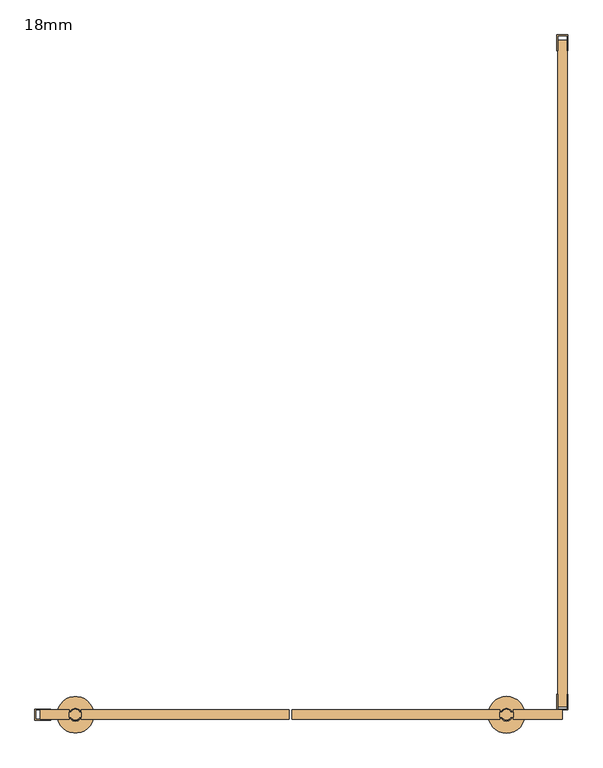
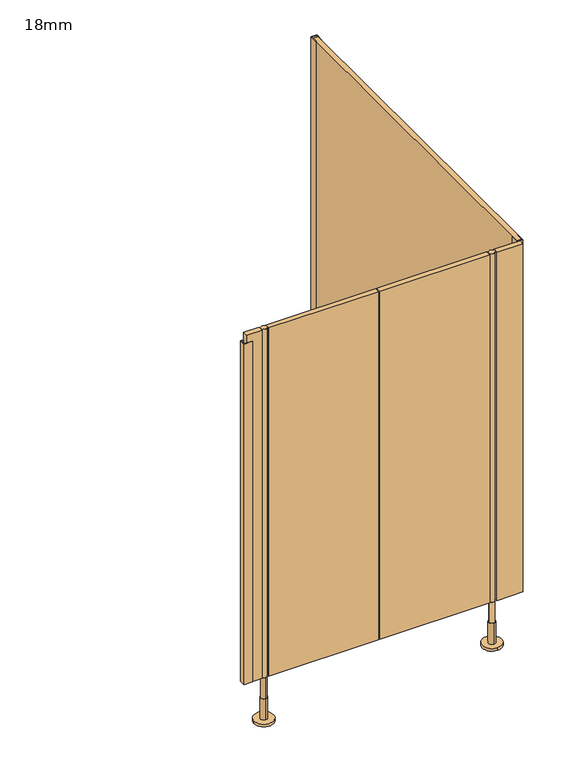
"""IFC4 building model written with IfcOpenShell, lengths in millimetres: door geometry, 18mm."""

import ifcopenshell
import ifcopenshell.guid

model = None  # the IFC model being written
_history = None  # IfcOwnerHistory: only IFC2X3 demands one
_inside = {}  # id of a spatial element -> (the spatial element, [elements in it])
_under = {}  # id of a project, library or spatial element -> (it, [spatial elements below it])
_declared = {}  # id of a project -> (the project, [libraries it declares])
_typed = {}  # id of a type object -> (the type object, [elements of that type])
_made_of = {}  # id of a material, layer set ... -> (it, [elements and type objects made of it])


def new_model(schema):
    """Start an empty IFC model of exactly this schema.

    Asked for "IFC4X3", IfcOpenShell would pick the latest addendum, in which some entities
    have other attributes; the version numbers below select the first issue.
    IFC2X3 requires an IfcOwnerHistory on every rooted entity: one is made here for all.
    """
    global model, _history
    if schema == "IFC4X3":
        model = ifcopenshell.file(schema_version=(4, 3, 0, 0))
    else:
        model = ifcopenshell.file(schema=schema)
    _inside.clear()
    _under.clear()
    _declared.clear()
    _typed.clear()
    _made_of.clear()
    _history = None
    if model.schema == "IFC2X3":
        org = make("IfcOrganization", Name="unknown")
        user = make(
            "IfcPersonAndOrganization",
            ThePerson=make("IfcPerson", FamilyName="unknown"),
            TheOrganization=org,
        )
        app = make(
            "IfcApplication",
            ApplicationDeveloper=org,
            Version="unknown",
            ApplicationFullName="unknown",
            ApplicationIdentifier="unknown",
        )
        _history = make(
            "IfcOwnerHistory",
            OwningUser=user,
            OwningApplication=app,
            ChangeAction="ADDED",
            CreationDate=0,
        )
    return model


def make(cls, **values):
    """One entity of the class cls with the attributes given. An attribute that is None is left unset."""
    return model.create_entity(
        cls, **{name: value for name, value in values.items() if value is not None}
    )


def rooted(cls, **values):
    """An entity with a GlobalId (a new one), such as an element, a storey or a relation."""
    return make(cls, GlobalId=ifcopenshell.guid.new(), OwnerHistory=_history, **values)


def si_unit(unit_type, name, prefix=None):
    """IfcSIUnit, for example si_unit("LENGTHUNIT", "METRE", prefix="MILLI")."""
    return make("IfcSIUnit", UnitType=unit_type, Prefix=prefix, Name=name)


def assignment(units):
    """IfcUnitAssignment: the units of a project."""
    return None if units is None else make("IfcUnitAssignment", Units=units)


def point(xyz):
    """IfcCartesianPoint."""
    return None if xyz is None else make("IfcCartesianPoint", Coordinates=xyz)


def direction(xyz):
    """IfcDirection."""
    return None if xyz is None else make("IfcDirection", DirectionRatios=xyz)


def frame(location, z_axis=None, x_axis=None):
    """IfcAxis2Placement3D, a coordinate frame: its origin and axes. An axis left out is left unset."""
    return make(
        "IfcAxis2Placement3D",
        Location=point(location),
        Axis=direction(z_axis),
        RefDirection=direction(x_axis),
    )


def frame_2d(location, x_axis=None):
    """IfcAxis2Placement2D, a coordinate frame in the plane: its origin and x axis."""
    return make(
        "IfcAxis2Placement2D", Location=point(location), RefDirection=direction(x_axis)
    )


def origin():
    """The frame at (0, 0, 0) with its axes left unset."""
    return frame((0.0, 0.0, 0.0))


def place(relative_to, where):
    """IfcLocalPlacement: puts the frame where relative to a parent placement (None: the world)."""
    return make(
        "IfcLocalPlacement", PlacementRelTo=relative_to, RelativePlacement=where
    )


def context(
    kind, dimensions, precision=None, world=None, true_north=None, identifier=None
):
    """IfcGeometricRepresentationContext, for example the 3D "Model" context."""
    return make(
        "IfcGeometricRepresentationContext",
        ContextIdentifier=identifier,
        ContextType=kind,
        CoordinateSpaceDimension=dimensions,
        Precision=precision,
        WorldCoordinateSystem=world,
        TrueNorth=true_north,
    )


def project(units=None, contexts=None):
    """IfcProject with its units and contexts."""
    return rooted(
        "IfcProject",
        Name="project",
        RepresentationContexts=contexts,
        UnitsInContext=assignment(units),
    )


def spatial(cls, under=None, at=None, **own):
    """A site, building, storey or space (cls), placed at a placement, below another one or the project."""
    s = rooted(cls, ObjectPlacement=at, **own)
    if under is not None:
        _under.setdefault(under.id(), (under, []))[1].append(s)
    return s


def polyline(points):
    """IfcPolyline through the points."""
    return make("IfcPolyline", Points=[point(p) for p in points])


def circle_curve(where, radius):
    """IfcCircle in the frame where."""
    return make("IfcCircle", Position=where, Radius=radius)


def trimmed(basis, trim1, trim2, sense, master):
    """IfcTrimmedCurve: the piece of a basis curve between two trims."""
    return make(
        "IfcTrimmedCurve",
        BasisCurve=basis,
        Trim1=trim1,
        Trim2=trim2,
        SenseAgreement=sense,
        MasterRepresentation=master,
    )


def segment(curve, same_sense, transition):
    """IfcCompositeCurveSegment."""
    return make(
        "IfcCompositeCurveSegment",
        Transition=transition,
        SameSense=same_sense,
        ParentCurve=curve,
    )


def composite_curve(segments, self_intersect=None):
    """IfcCompositeCurve: segments joined end to end."""
    return make("IfcCompositeCurve", Segments=segments, SelfIntersect=self_intersect)


def outline(outer, holes=None, kind="AREA"):
    """IfcArbitraryClosedProfileDef: a profile drawn as a closed curve; with holes, ...WithVoids."""
    if holes is None:
        return make("IfcArbitraryClosedProfileDef", ProfileType=kind, OuterCurve=outer)
    return make(
        "IfcArbitraryProfileDefWithVoids",
        ProfileType=kind,
        OuterCurve=outer,
        InnerCurves=holes,
    )


def extrude(swept, where, along, depth):
    """IfcExtrudedAreaSolid: the profile swept, set in the frame where, extruded along a direction by depth."""
    return make(
        "IfcExtrudedAreaSolid",
        SweptArea=swept,
        Position=where,
        ExtrudedDirection=direction(along),
        Depth=depth,
    )


def shape(context_of_items, identifier, shape_type, items):
    """IfcShapeRepresentation: the items that make up one representation, for example the "Body"."""
    return make(
        "IfcShapeRepresentation",
        ContextOfItems=context_of_items,
        RepresentationIdentifier=identifier,
        RepresentationType=shape_type,
        Items=items,
    )


def source(mapping_origin, context_of_items, identifier, shape_type, items):
    """IfcRepresentationMap: a shape defined once, which mapped items show again and again."""
    return make(
        "IfcRepresentationMap",
        MappingOrigin=mapping_origin,
        MappedRepresentation=shape(context_of_items, identifier, shape_type, items),
    )


def transform(
    local_origin,
    x_axis=None,
    y_axis=None,
    z_axis=None,
    scale=None,
    scale2=None,
    scale3=None,
    uniform=True,
):
    """IfcCartesianTransformationOperator3D, or its non-uniform kind. x_axis, y_axis, z_axis: its Axis1, 2, 3."""
    if uniform:
        return make(
            "IfcCartesianTransformationOperator3D",
            Axis1=direction(x_axis),
            Axis2=direction(y_axis),
            LocalOrigin=point(local_origin),
            Scale=scale,
            Axis3=direction(z_axis),
        )
    return make(
        "IfcCartesianTransformationOperator3DnonUniform",
        Axis1=direction(x_axis),
        Axis2=direction(y_axis),
        LocalOrigin=point(local_origin),
        Scale=scale,
        Axis3=direction(z_axis),
        Scale2=scale2,
        Scale3=scale3,
    )


def mapped(mapping_source, mapping_target):
    """IfcMappedItem: shows the shape of a source again, moved by a transform."""
    return make(
        "IfcMappedItem", MappingSource=mapping_source, MappingTarget=mapping_target
    )


def made_of(thing, what):
    """Note that an element or type object is made of a material, layer set ...; save() writes the relation."""
    if what is not None:
        _made_of.setdefault(what.id(), (what, []))[1].append(thing)
    return thing


def element(
    cls,
    number,
    at=None,
    inside=None,
    cuts=None,
    type_object=None,
    material=None,
    context=None,
    identifier="Body",
    shape_type=None,
    held_by="IfcProductDefinitionShape",
    body=None,
    shapes=None,
    **own,
):
    """One element of the class cls, such as IfcWall. Its Tag is "e" and its number.

    at: its placement. inside: the storey or other place that contains it. cuts: it is an
    opening in that element (IfcRelVoidsElement). A single representation is given by context,
    identifier, shape_type and body (its items); several are given by shapes. held_by: the class
    of the entity that holds the representations. save() writes the other relations.
    """
    e = rooted(cls, Tag="e%d" % number, ObjectPlacement=at, **own)
    if body is not None:
        shapes = [shape(context, identifier, shape_type, body)]
    if shapes is not None:
        e.Representation = make(held_by, Representations=shapes)
    if inside is not None:
        _inside.setdefault(inside.id(), (inside, []))[1].append(e)
    if cuts is not None:
        rooted(
            "IfcRelVoidsElement", RelatingBuildingElement=cuts, RelatedOpeningElement=e
        )
    if type_object is not None:
        _typed.setdefault(type_object.id(), (type_object, []))[1].append(e)
    return made_of(e, material)


def aggregate(whole, parts):
    """IfcRelAggregates: a whole, such as a stair, and the parts it consists of."""
    return rooted("IfcRelAggregates", RelatingObject=whole, RelatedObjects=parts)


def save(model, path):
    """Write the relations noted so far, then the file.

    IfcRelAggregates (storeys below a building ...), IfcRelContainedInSpatialStructure (elements
    in a storey), IfcRelDefinesByType, IfcRelAssociatesMaterial and IfcRelDeclares: one each for
    every whole, place, type object, material and project.
    """
    for whole, parts in _under.values():
        aggregate(whole, parts)
    for where, things in _inside.values():
        rooted(
            "IfcRelContainedInSpatialStructure",
            RelatedElements=things,
            RelatingStructure=where,
        )
    for kind, things in _typed.values():
        rooted("IfcRelDefinesByType", RelatedObjects=things, RelatingType=kind)
    for what, things in _made_of.values():
        rooted("IfcRelAssociatesMaterial", RelatedObjects=things, RelatingMaterial=what)
    for by, libraries in _declared.values():
        rooted("IfcRelDeclares", RelatingContext=by, RelatedDefinitions=libraries)
    model.write(path)


def plane_surface(at):
    """IfcPlane: the flat surface through the origin of the frame at, square to its z axis."""
    return make("IfcPlane", Position=at)


def cylinder_surface(at, radius):
    """IfcCylindricalSurface: all points at the distance radius from the z axis of the frame at."""
    return make("IfcCylindricalSurface", Position=at, Radius=radius)


def advanced_brep(points, edges, surfaces, faces):
    """IfcAdvancedBrep: a solid bounded by faces that lie on surfaces and meet in shared edges.

    An edge is (start, end): straight between two places in points (the first is 0);
    or (start, end, curve); or (start, end, curve, False) where it runs against its curve.
    A face is (place in surfaces, loops), or (place, loops, False) where it looks against
    its surface's normal. A loop lists edges by number (the first is 1), with a minus sign
    where the edge is run from its end to its start. The first loop is the outer one.
    """
    corners = [point(p) for p in points]
    vertices = [make("IfcVertexPoint", VertexGeometry=c) for c in corners]
    made = []
    for start, end, *more in edges:
        made.append(
            make(
                "IfcEdgeCurve",
                EdgeStart=vertices[start],
                EdgeEnd=vertices[end],
                EdgeGeometry=more[0] if more else make("IfcPolyline", Points=[corners[start], corners[end]]),
                SameSense=more[1] if len(more) > 1 else True,
            )
        )
    hull = []
    for where, loops, *sense in faces:
        bounds = []
        for j, loop in enumerate(loops):
            ring = [make("IfcOrientedEdge", EdgeElement=made[abs(k) - 1], Orientation=k > 0) for k in loop]
            bounds.append(
                make(
                    "IfcFaceOuterBound" if j == 0 else "IfcFaceBound",
                    Bound=make("IfcEdgeLoop", EdgeList=ring),
                    Orientation=True,
                )
            )
        hull.append(make("IfcAdvancedFace", Bounds=bounds, FaceSurface=surfaces[where], SameSense=sense[0] if sense else True))
    return make("IfcAdvancedBrep", Outer=make("IfcClosedShell", CfsFaces=hull))


def door_18mm_931dd930(model_context):
    return source(origin(), model_context, "Body", "SolidModel", [
        extrude(outline(composite_curve([segment(trimmed(circle_curve(frame_2d((-435.0, -1299.0)), 10.0), [point((-439.3588989, -1290.0))], [point((-430.6411011, -1290.0))], False, "CARTESIAN"), True, "CONTINUOUS"), segment(trimmed(circle_curve(frame_2d((-435.0, -1299.0)), 10.0), [point((-430.6411011, -1290.0))], [point((-426.3391323, -1294.0010631))], False, "CARTESIAN"), True, "CONTINUOUS"), segment(polyline([(-426.3391323, -1294.0010631), (-423.5, -1294.0010631), (-423.5, -1303.9989369), (-426.3391323, -1303.9989369)]), True, "CONTINUOUS"), segment(trimmed(circle_curve(frame_2d((-435.0, -1299.0)), 10.0), [point((-426.3391323, -1303.9989369))], [point((-443.6608677, -1303.9989369))], False, "CARTESIAN"), True, "CONTINUOUS"), segment(polyline([(-443.6608677, -1303.9989369), (-446.5, -1303.9989369), (-446.5, -1294.0010631), (-443.6608677, -1294.0010631)]), True, "CONTINUOUS"), segment(trimmed(circle_curve(frame_2d((-435.0, -1299.0)), 10.0), [point((-443.6608677, -1294.0010631))], [point((-439.3588989, -1290.0))], False, "CARTESIAN"), True, "CONTINUOUS")], self_intersect=False)), frame((0.0, 0.0, 170.0), z_axis=(0.0, 0.0, 1.0), x_axis=(1.0, 0.0, 0.0)), (0.0, 0.0, 1.0), 1330.0),
        extrude(outline(composite_curve([segment(trimmed(circle_curve(frame_2d((389.5, -1299.0)), 10.0), [point((398.1608677, -1303.9989369))], [point((380.8391323, -1303.9989369))], False, "CARTESIAN"), True, "CONTINUOUS"), segment(polyline([(380.8391323, -1303.9989369), (376.5, -1303.9989369), (376.5, -1294.0010631), (380.8391323, -1294.0010631)]), True, "CONTINUOUS"), segment(trimmed(circle_curve(frame_2d((389.5, -1299.0)), 10.0), [point((380.8391323, -1294.0010631))], [point((398.1608677, -1294.0010631))], False, "CARTESIAN"), True, "CONTINUOUS"), segment(polyline([(398.1608677, -1294.0010631), (402.5, -1294.0010631), (402.5, -1303.9989369), (398.1608677, -1303.9989369)]), True, "CONTINUOUS")], self_intersect=False)), frame((0.0, 0.0, 170.0), z_axis=(0.0, 0.0, 1.0), x_axis=(1.0, 0.0, 0.0)), (0.0, 0.0, 1.0), 1330.0),
        extrude(outline(polyline([(-20.4997797, -1290.0), (376.5, -1290.0), (376.5, -1308.0), (-20.4997797, -1308.0), (-20.4997797, -1290.0)])), frame((0.0, 0.0, 170.0), z_axis=(0.0, 0.0, 1.0), x_axis=(1.0, 0.0, 0.0)), (0.0, 0.0, 1.0), 1330.0),
        extrude(outline(polyline([(-26.5002203, -1308.0), (-423.5, -1308.0), (-423.5, -1290.0), (-26.5002203, -1290.0), (-26.5002203, -1308.0)])), frame((0.0, 0.0, 170.0), z_axis=(0.0, 0.0, 1.0), x_axis=(1.0, 0.0, 0.0)), (0.0, 0.0, 1.0), 1330.0),
        advanced_brep(
        [(399.5, -1299.0, 170.0), (379.5, -1299.0, 170.0), (379.5, -1299.0, 90.0), (399.5, -1299.0, 90.0), (389.5, -1287.0, 90.0), (389.5, -1311.0, 90.0), (389.5, -1287.0, 10.0), (389.5, -1311.0, 10.0), (389.5, -1264.0, 10.0), (389.5, -1334.0, 10.0), (389.5, -1264.0, 0.0), (389.5, -1334.0, 0.0)],
        [
            (0, 1, circle_curve(frame((389.5, -1299.0, 170.0), z_axis=(0.0, 0.0, 1.0), x_axis=(-1.0, 0.0, 0.0)), 10.0)),
            (1, 0, circle_curve(frame((389.5, -1299.0, 170.0), z_axis=(0.0, 0.0, 1.0), x_axis=(-1.0, 0.0, 0.0)), 10.0)),
            (1, 2),
            (2, 3, circle_curve(frame((389.5, -1299.0, 90.0), z_axis=(0.0, 0.0, 1.0), x_axis=(-1.0, 0.0, 0.0)), 10.0)),
            (3, 0),
            (3, 2, circle_curve(frame((389.5, -1299.0, 90.0), z_axis=(0.0, 0.0, 1.0), x_axis=(-1.0, 0.0, 0.0)), 10.0)),
            (4, 5, circle_curve(frame((389.5, -1299.0, 90.0), z_axis=(0.0, 0.0, 1.0), x_axis=(0.0, -1.0, 0.0)), 12.0)),
            (5, 4, circle_curve(frame((389.5, -1299.0, 90.0), z_axis=(0.0, 0.0, 1.0), x_axis=(0.0, -1.0, 0.0)), 12.0)),
            (4, 6),
            (6, 7, circle_curve(frame((389.5, -1299.0, 10.0), z_axis=(0.0, 0.0, 1.0), x_axis=(0.0, -1.0, 0.0)), 12.0)),
            (7, 5),
            (7, 6, circle_curve(frame((389.5, -1299.0, 10.0), z_axis=(0.0, 0.0, 1.0), x_axis=(0.0, -1.0, 0.0)), 12.0)),
            (8, 9, circle_curve(frame((389.5, -1299.0, 10.0), z_axis=(0.0, 0.0, 1.0), x_axis=(0.0, -1.0, 0.0)), 35.0)),
            (9, 8, circle_curve(frame((389.5, -1299.0, 10.0), z_axis=(0.0, 0.0, 1.0), x_axis=(0.0, -1.0, 0.0)), 35.0)),
            (10, 11, circle_curve(frame((389.5, -1299.0, 0.0), z_axis=(0.0, 0.0, -1.0), x_axis=(0.0, -1.0, 0.0)), 35.0)),
            (11, 10, circle_curve(frame((389.5, -1299.0, 0.0), z_axis=(0.0, 0.0, -1.0), x_axis=(0.0, -1.0, 0.0)), 35.0)),
            (8, 10),
            (11, 9),
        ],
        [
            plane_surface(frame((389.5, -1290.0, 170.0), z_axis=(0.0, 0.0, 1.0), x_axis=(0.0, -1.0, 0.0))),
            cylinder_surface(frame((389.5, -1299.0, 90.0), z_axis=(0.0, 0.0, -1.0), x_axis=(-1.0, 0.0, 0.0)), 10.0),
            plane_surface(frame((389.5, -1290.0, 90.0), z_axis=(0.0, 0.0, 1.0), x_axis=(0.0, -1.0, 0.0))),
            cylinder_surface(frame((389.5, -1299.0, 90.0), z_axis=(0.0, 0.0, 1.0), x_axis=(0.0, -1.0, 0.0)), 12.0),
            plane_surface(frame((389.5, -1290.0, 10.0), z_axis=(0.0, 0.0, 1.0), x_axis=(0.0, -1.0, 0.0))),
            plane_surface(frame((389.5, -1290.0, 0.0), z_axis=(0.0, 0.0, -1.0), x_axis=(0.0, -1.0, 0.0))),
            cylinder_surface(frame((389.5, -1299.0, 10.0), z_axis=(0.0, 0.0, 1.0), x_axis=(0.0, -1.0, 0.0)), 35.0),
        ],
        [
            (0, [[1, 2]]),
            (1, [[-2, 3, 4, 5]]),
            (1, [[-1, -5, 6, -3]]),
            (2, [[7, 8], [-4, -6]]),
            (3, [[-7, 9, 10, 11]]),
            (3, [[-8, -11, 12, -9]]),
            (4, [[13, 14], [-10, -12]]),
            (5, [[15, 16]]),
            (6, [[-13, 17, -16, 18]]),
            (6, [[-14, -18, -15, -17]]),
        ],
    ),
        advanced_brep(
        [(-435.0, -1309.0, 170.0), (-435.0, -1289.0, 170.0), (-435.0, -1289.0, 90.0), (-435.0, -1309.0, 90.0), (-435.0, -1287.0, 90.0), (-435.0, -1311.0, 90.0), (-435.0, -1287.0, 10.0), (-435.0, -1311.0, 10.0), (-400.0, -1299.0, 0.0), (-470.0, -1299.0, 0.0), (-400.0, -1299.0, 10.0), (-470.0, -1299.0, 10.0)],
        [
            (0, 1, circle_curve(frame((-435.0, -1299.0, 170.0), z_axis=(0.0, 0.0, -1.0), x_axis=(0.0, -1.0, 0.0)), 10.0)),
            (1, 2),
            (2, 3, circle_curve(frame((-435.0, -1299.0, 90.0), z_axis=(0.0, 0.0, 1.0), x_axis=(0.0, -1.0, 0.0)), 10.0)),
            (3, 0),
            (1, 0, circle_curve(frame((-435.0, -1299.0, 170.0), z_axis=(0.0, 0.0, -1.0), x_axis=(0.0, -1.0, 0.0)), 10.0)),
            (3, 2, circle_curve(frame((-435.0, -1299.0, 90.0), z_axis=(0.0, 0.0, 1.0), x_axis=(0.0, -1.0, 0.0)), 10.0)),
            (4, 5, circle_curve(frame((-435.0, -1299.0, 90.0), z_axis=(0.0, 0.0, 1.0), x_axis=(0.0, -1.0, 0.0)), 12.0)),
            (5, 4, circle_curve(frame((-435.0, -1299.0, 90.0), z_axis=(0.0, 0.0, 1.0), x_axis=(0.0, -1.0, 0.0)), 12.0)),
            (4, 6),
            (6, 7, circle_curve(frame((-435.0, -1299.0, 10.0), z_axis=(0.0, 0.0, 1.0), x_axis=(0.0, -1.0, 0.0)), 12.0)),
            (7, 5),
            (7, 6, circle_curve(frame((-435.0, -1299.0, 10.0), z_axis=(0.0, 0.0, 1.0), x_axis=(0.0, -1.0, 0.0)), 12.0)),
            (8, 9, circle_curve(frame((-435.0, -1299.0, 0.0), z_axis=(0.0, 0.0, -1.0), x_axis=(-1.0, 0.0, 0.0)), 35.0)),
            (9, 8, circle_curve(frame((-435.0, -1299.0, 0.0), z_axis=(0.0, 0.0, -1.0), x_axis=(-1.0, 0.0, 0.0)), 35.0)),
            (10, 11, circle_curve(frame((-435.0, -1299.0, 10.0), z_axis=(0.0, 0.0, 1.0), x_axis=(-1.0, 0.0, 0.0)), 35.0)),
            (11, 10, circle_curve(frame((-435.0, -1299.0, 10.0), z_axis=(0.0, 0.0, 1.0), x_axis=(-1.0, 0.0, 0.0)), 35.0)),
            (8, 10),
            (11, 9),
        ],
        [
            cylinder_surface(frame((-435.0, -1299.0, 170.0), z_axis=(0.0, 0.0, 1.0), x_axis=(0.0, -1.0, 0.0)), 10.0),
            plane_surface(frame((-435.0, -1290.0, 90.0), z_axis=(0.0, 0.0, 1.0), x_axis=(0.0, -1.0, 0.0))),
            cylinder_surface(frame((-435.0, -1299.0, 90.0), z_axis=(0.0, 0.0, 1.0), x_axis=(0.0, -1.0, 0.0)), 12.0),
            plane_surface(frame((-435.0, -1290.0, 0.0), z_axis=(0.0, 0.0, -1.0), x_axis=(0.0, -1.0, 0.0))),
            plane_surface(frame((-435.0, -1290.0, 10.0), z_axis=(0.0, 0.0, 1.0), x_axis=(0.0, -1.0, 0.0))),
            cylinder_surface(frame((-435.0, -1299.0, 0.0), z_axis=(0.0, 0.0, -1.0), x_axis=(-1.0, 0.0, 0.0)), 35.0),
            plane_surface(frame((-435.0, -1290.0, 170.0), z_axis=(0.0, 0.0, 1.0), x_axis=(0.0, -1.0, 0.0))),
        ],
        [
            (0, [[1, 2, 3, 4]]),
            (0, [[5, -4, 6, -2]]),
            (1, [[7, 8], [-3, -6]]),
            (2, [[-7, 9, 10, 11]]),
            (2, [[-8, -11, 12, -9]]),
            (3, [[13, 14]]),
            (4, [[15, 16], [-10, -12]]),
            (5, [[-13, 17, -16, 18]]),
            (5, [[-14, -18, -15, -17]]),
            (6, [[-1, -5]]),
        ],
    ),
        extrude(outline(polyline([(486.0, 0.0), (507.0, 0.0), (507.0, -30.0), (505.5, -30.0), (505.5, -1.5), (487.5, -1.5), (487.5, -30.0), (486.0, -30.0), (486.0, 0.0)])), frame((0.0, 0.0, 170.0), z_axis=(0.0, 0.0, 1.0), x_axis=(1.0, 0.0, 0.0)), (0.0, 0.0, 1.0), 1330.0),
        extrude(outline(polyline([(-512.5, -1288.5), (-482.5, -1288.5), (-482.5, -1290.0), (-511.0, -1290.0), (-511.0, -1308.0), (-482.5, -1308.0), (-482.5, -1309.5), (-512.5, -1309.5), (-512.5, -1288.5)])), frame((0.0, 0.0, 170.0), z_axis=(0.0, 0.0, 1.0), x_axis=(1.0, 0.0, 0.0)), (0.0, 0.0, 1.0), 1300.0),
        extrude(outline(polyline([(402.5, -1290.0), (496.5, -1290.0), (496.5, -1308.0), (402.5, -1308.0), (402.5, -1290.0)])), frame((0.0, 0.0, 170.0), z_axis=(0.0, 0.0, 1.0), x_axis=(1.0, 0.0, 0.0)), (0.0, 0.0, 1.0), 1330.0),
        extrude(outline(polyline([(-446.5, -1290.0), (-446.5, -1308.0), (-502.5, -1308.0), (-502.5, -1290.0), (-446.5, -1290.0)])), frame((0.0, 0.0, 170.0), z_axis=(0.0, 0.0, 1.0), x_axis=(1.0, 0.0, 0.0)), (0.0, 0.0, 1.0), 1330.0),
        extrude(outline(polyline([(507.0, -1290.0), (486.0, -1290.0), (486.0, -1260.0), (487.5, -1260.0), (487.5, -1288.5), (505.5, -1288.5), (505.5, -1260.0), (507.0, -1260.0), (507.0, -1290.0)])), frame((0.0, 0.0, 170.0), z_axis=(0.0, 0.0, 1.0), x_axis=(1.0, 0.0, 0.0)), (0.0, 0.0, 1.0), 1330.0),
        extrude(outline(polyline([(505.5, -10.0), (505.5, -1284.0), (487.5, -1284.0), (487.5, -10.0), (505.5, -10.0)])), frame((0.0, 0.0, 170.0), z_axis=(0.0, 0.0, 1.0), x_axis=(1.0, 0.0, 0.0)), (0.0, 0.0, 1.0), 1330.0),
    ])


if __name__ == "__main__":
    model = new_model("IFC4")
    model_context = context("Model", 3, world=origin())
    ifc_project = project(units=[si_unit("LENGTHUNIT", "METRE", prefix="MILLI")], contexts=[model_context])
    site = spatial("IfcSite", under=ifc_project)
    building = spatial("IfcBuilding", under=site)
    placement = place(None, origin())
    door_18mm_shape = door_18mm_931dd930(model_context)
    element("IfcDoor", 1, ObjectType="18mm", at=placement, inside=building, context=model_context, shape_type="MappedRepresentation", body=[
        mapped(door_18mm_shape, transform((0.0, 0.0, 0.0), x_axis=(1.0, 0.0, 0.0), y_axis=(0.0, 1.0, 0.0), z_axis=(0.0, 0.0, 1.0))),
    ])
    save(model, "model.ifc")
